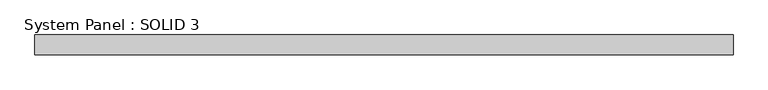
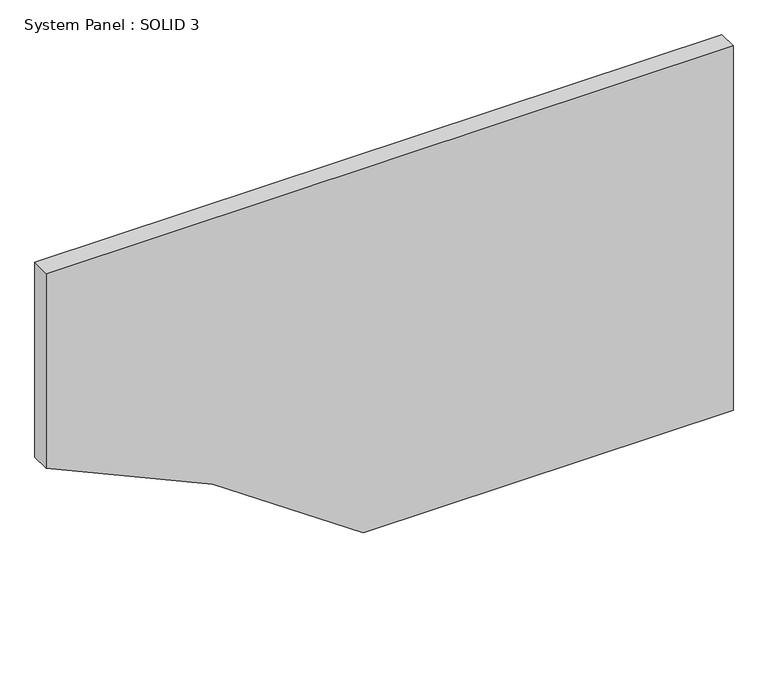
"""IFC4 building model written with IfcOpenShell, lengths in millimetres: plate geometry, System Panel : SOLID 3."""

from ifc_helpers import new_model, si_unit, point, frame, frame_2d, origin, place, context, project, spatial, polyline, circle_curve, trimmed, segment, composite_curve, outline, extrude, source, transform, mapped, element, save


def system_panel_solid_3_0685b790(model_context):
    return source(origin(), model_context, "Body", "SweptSolid", [
        extrude(outline(composite_curve([segment(polyline([(0.0, -108.4751363), (0.0, 1422.5), (1594.0, 1422.5), (1594.0, -1422.5), (741.7633, -1422.5)]), True, "CONTINUOUS"), segment(trimmed(circle_curve(frame_2d((-3261.5211069, -2815.9685979)), 4238.8725831), [point((741.7633, -1422.5))], [point((0.0, -108.4751363))], True, "CARTESIAN"), True, "CONTINUOUS")], self_intersect=False)), frame((0.0, 80.0, 0.0), z_axis=(0.0, 1.0, 0.0), x_axis=(0.0, 0.0, 1.0)), (0.0, 0.0, 1.0), 80.0),
    ])


if __name__ == "__main__":
    model = new_model("IFC4")
    model_context = context("Model", 3, world=origin())
    ifc_project = project(units=[si_unit("LENGTHUNIT", "METRE", prefix="MILLI")], contexts=[model_context])
    site = spatial("IfcSite", under=ifc_project)
    building = spatial("IfcBuilding", under=site)
    placement = place(None, origin())
    system_panel_solid_3_shape = system_panel_solid_3_0685b790(model_context)
    element("IfcPlate", 1, ObjectType="System Panel : SOLID 3", at=placement, inside=building, context=model_context, shape_type="MappedRepresentation", body=[
        mapped(system_panel_solid_3_shape, transform((0.0, 0.0, 0.0), x_axis=(1.0, 0.0, 0.0), y_axis=(0.0, 1.0, 0.0), z_axis=(0.0, 0.0, 1.0))),
    ])
    save(model, "model.ifc")
